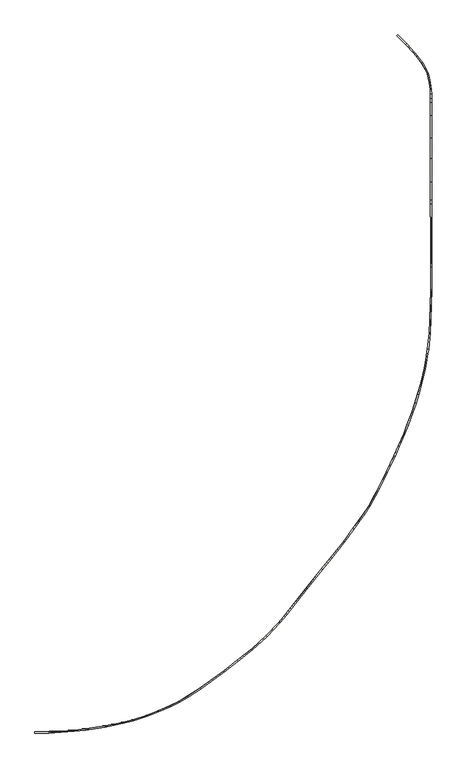
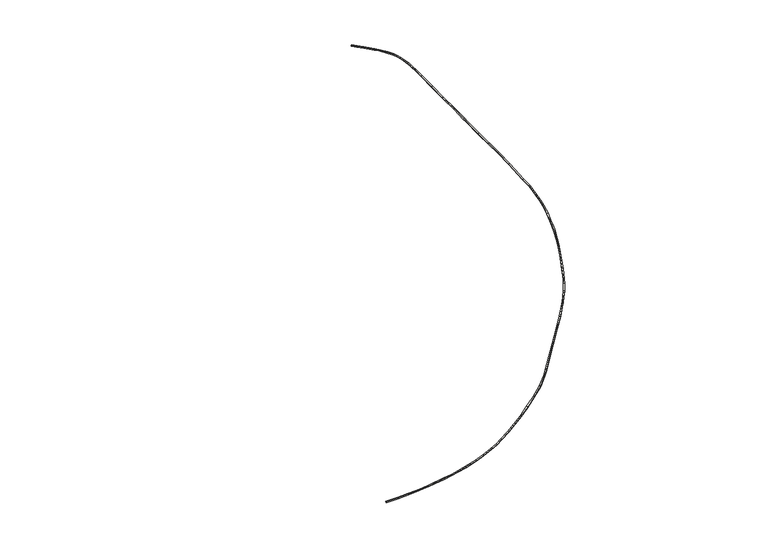
"""IFC4 building model written with IfcOpenShell, lengths in millimetres: wall geometry."""

from ifc_helpers import new_model, si_unit, origin, place, context, project, spatial, faceted_brep, source, transform, mapped, element, save


def wall_375108bb(model_context):
    return source(origin(), model_context, "Body", "Brep", [
        faceted_brep([(72508.282997, -46000.656261, -2738.1022654), (72507.3030657, -45750.7737981, -2730.5), (72507.2792157, -45744.6920325, -2930.4075075), (72508.2591469, -45994.5744954, -2938.0097729), (75400.4968625, -45989.3142459, -2738.1022654), (75393.2099054, -45739.4565163, -2730.5), (75393.0325518, -45733.3753527, -2930.4075075), (75400.3195088, -45983.2330822, -2938.0097729), (78063.6834764, -45844.3184573, -2738.1022654), (78048.1746753, -45594.9083617, -2730.5), (78047.7972142, -45588.8380929, -2930.4075075), (78063.3060153, -45838.2481884, -2938.0097729), (80856.8904063, -45648.9984016, -2738.1022654), (80833.8545823, -45400.1146467, -2730.5), (80834.1138348, -45393.9998545, -2930.4075075), (80857.1496588, -45642.8836094, -2938.0097729), (83287.4024821, -45369.4206509, -2718.0128693), (83253.5510772, -45121.7809943, -2710.5), (83253.0738996, -45115.7509124, -2910.4135945), (83286.9253044, -45363.390569, -2917.9264637), (87435.6579112, -44712.4015365, -2738.0655423), (87390.9101454, -44466.4876939, -2730.5), (87389.3582191, -44460.6278354, -2930.4083991), (87434.1059849, -44706.541678, -2937.9739414), (89296.7094245, -44329.2223525, -2738.0655423), (89246.2442759, -44084.4856843, -2730.5), (89246.9339551, -44078.1642929, -2930.4083991), (89297.3991037, -44322.9009612, -2937.9739414), (91309.5248597, -43914.7959004, -2697.9638728), (91253.9566331, -43671.1099249, -2690.5), (91255.8685418, -43664.5368839, -2890.3840484), (91311.4367684, -43908.2228595, -2897.8479212), (93444.1206204, -43382.5814026, -2667.7740061), (93375.1277382, -43142.2425696, -2660.5), (93375.4583529, -43136.0637895, -2860.4064129), (93444.4512351, -43376.4026224, -2867.680419), (96392.3416845, -42424.64631, -2647.6753279), (96308.8739595, -42189.0106385, -2640.5), (96307.5626142, -42183.3653636, -2840.4176065), (96391.0303392, -42419.001035, -2847.5929344), (98819.623963, -41492.8999404, -2647.6753279), (98723.9597365, -41261.9460672, -2640.5), (98721.7622802, -41256.6409384, -2840.4176065), (98817.4265067, -41487.5948116, -2847.5929344), (101286.2371159, -40394.6930092, -2647.6753279), (101179.9653128, -40168.4619334, -2640.5), (101178.7786309, -40162.7067788, -2840.4176065), (101285.0504341, -40388.9378546, -2847.5929344), (103260.052886, -39419.1288929, -2617.4652808), (103140.0573593, -39199.6808069, -2610.5), (103138.5600543, -39194.0791787, -2810.4223607), (103258.555581, -39413.5272647, -2817.3876415), (105052.3279613, -38341.4951451, -2617.4652808), (104920.7031438, -38129.0393542, -2610.5), (104917.7682323, -38124.3021097, -2810.4223607), (105049.3930497, -38336.7579006, -2817.3876415), (107668.793707, -36671.8819063, -2617.4652808), (107528.7508295, -36464.7978289, -2610.5), (107525.8960363, -36460.0094594, -2810.4223607), (107665.9389138, -36667.0935368, -2817.3876415), (112803.3212643, -32997.2523297, -2597.4275342), (112653.6060875, -32797.090431, -2590.5), (112650.3098375, -32792.6179991, -2790.4240835), (112800.0250143, -32992.7798979, -2797.3516177), (115642.2802489, -30779.2144808, -2607.4481891), (115486.713291, -30583.6244945, -2600.5), (115483.0367889, -30579.4491482, -2800.4227413), (115638.6037467, -30775.0391345, -2807.3709305), (118750.8825891, -28261.9179402, -2607.4481891), (118589.6050873, -28070.9522612, -2600.5), (118586.3982219, -28066.3966105, -2800.4227413), (118747.6757237, -28257.3622895, -2807.3709305), (121833.4157028, -25548.4222107, -2587.3628082), (121659.0346634, -25368.9913285, -2580.5), (121655.5381308, -25364.6906664, -2780.4246288), (121829.9191701, -25544.1215486, -2787.287437), (124561.4034396, -22623.0135204, -2587.3628082), (124374.160242, -22457.3756143, -2580.5), (124370.3583834, -22453.4023742, -2780.4246288), (124557.601581, -22619.0402803, -2787.287437), (125975.5337533, -20937.7186386, -2577.317395), (125781.8975611, -20779.6996068, -2570.5), (125777.9557182, -20775.8931935, -2770.4256232), (125971.5919104, -20933.9122253, -2777.2430181), (130240.6243995, -15564.274676, -2577.317395), (130044.8597349, -15408.9372348, -2570.5), (130041.2709199, -15404.6860536, -2770.4256232), (130237.0355845, -15560.0234948, -2777.2430181), (133634.6433239, -11288.2646187, -2517.317395), (133438.8786593, -11132.9271776, -2510.5), (133435.2898443, -11128.6759963, -2710.4256232), (133631.0545089, -11284.0134375, -2717.2430181), (135487.5558799, -8953.8425365, -2517.317395), (135292.4590057, -8797.6637687, -2510.5), (135289.602445, -8792.490045, -2710.4256232), (135484.6993192, -8948.6688128, -2717.2430181), (138280.960135, -5498.2238665, -2417.1965529), (138082.4917283, -5346.2158989, -2410.5), (138080.3268256, -5340.1865501, -2610.4008329), (138278.7952324, -5492.1945177, -2617.0973858), (140296.7693099, -2723.7005631, -2375.5190366), (140094.6369144, -2576.7356432, -2368.8982378), (140088.8140162, -2575.7410935, -2568.874701), (140290.9464117, -2722.7060133, -2575.4954997), (141396.075988, -1210.6347264, -2447.2478634), (141191.9962153, -1066.3501413, -2440.5), (141185.4172882, -1066.396176, -2640.4271329), (141389.4970609, -1210.680761, -2647.1749963), (142491.5428801, 385.5496401, -2447.2478634), (142284.1971265, 525.0754253, -2440.5), (142279.718244, 528.0893264, -2640.4271329), (142487.0639976, 388.5635412, -2647.1749963), (143647.9653269, 2138.5339684, -2447.2478634), (143435.2229483, 2269.8791799, -2440.5), (143431.7353356, 2274.3957156, -2640.4271329), (143644.4777142, 2143.0505041, -2647.1749963), (144897.9626443, 4303.5928315, -2397.0097344), (144679.2952703, 4424.6756498, -2390.5), (144675.6819314, 4428.9744215, -2590.4321859), (144894.3493055, 4307.8916032, -2596.9419203), (145736.3855156, 5881.8005893, -2397.0097344), (145513.8844646, 5995.6670745, -2390.5), (145509.2479398, 5998.0398489, -2590.4321859), (145731.7489908, 5884.1733636, -2596.9419203), (147425.2958356, 9310.5899666, -2397.0097344), (147199.81688, 9418.4107741, -2390.5), (147195.6930355, 9421.8243811, -2590.4321859), (147421.1719911, 9314.0035736, -2596.9419203), (149046.4514251, 12801.6498868, -2346.9664958), (148819.571751, 12906.4543322, -2340.5), (148815.418815, 12909.8052924, -2540.4330839), (149042.2984891, 12805.0008471, -2546.8995797), (149981.3857038, 14834.4886395, -2346.9664958), (149752.6677529, 14935.2960978, -2340.5), (149747.9333572, 14937.3827832, -2540.4330839), (149976.651308, 14836.5753249, -2546.8995797), (151098.1936134, 17481.8818756, -2346.9664958), (150866.3214572, 17575.2122899, -2340.5), (150862.106306, 17578.5298446, -2540.4330839), (151093.9784622, 17485.1994303, -2546.8995797), (151814.9576953, 19349.1161473, -2316.903904), (151581.593202, 19438.5588904, -2310.5), (151578.2453475, 19444.1358302, -2510.3967077), (151811.6098408, 19354.6930872, -2516.8006117), (152818.36959, 21963.0935016, -2246.7411426), (152582.6774119, 22046.4724186, -2240.5), (152578.743785, 22050.5233692, -2440.4376673), (152814.4359631, 21967.1444522, -2446.6788099), (153498.1815623, 24055.3396171, -2246.7411426), (153259.5605727, 24129.7045791, -2240.5), (153254.7934306, 24131.1902336, -2440.4376673), (153493.4144202, 24056.8252716, -2446.6788099), (154029.0800268, 25834.0784803, -2246.7411426), (153789.1936013, 25904.2036864, -2240.5), (153784.9749765, 25907.5271104, -2440.4376673), (154024.8614019, 25837.4019043, -2446.6788099), (154718.1726102, 28237.2299091, -2196.5963829), (154476.2968885, 28300.4176145, -2190.5), (154472.0389829, 28303.6040502, -2390.4405257), (154713.9147047, 28240.4163448, -2396.5369087), (155454.8492082, 31351.2047726, -2196.5963829), (155209.976086, 31401.7222917, -2190.5), (155205.1410293, 31402.469076, -2390.4405257), (155450.0141515, 31351.9515569, -2396.5369087), (155774.5528957, 33164.3344829, -2201.113453), (155528.4716064, 33208.000146, -2195.0), (155522.1173606, 33200.1311807, -2394.9190612), (155768.1986499, 33156.4655177, -2401.0325143), (155926.5313987, 34026.2474039, -2276.6140988), (155680.4488094, 34069.9056946, -2270.5), (155674.1370735, 34062.2778151, -2470.4401795), (155920.2196628, 34018.6195244, -2476.5542784), (156184.172053, 35487.4001626, -2276.6140988), (155936.6134865, 35522.6877708, -2270.5), (155931.7685253, 35523.3783835, -2470.4401795), (156179.3270917, 35488.0907753, -2476.5542784), (156563.6792202, 38966.7589761, -2276.6140988), (156314.2279696, 38984.6942707, -2270.5), (156309.3459666, 38985.0452818, -2470.4401795), (156558.7972172, 38967.1099872, -2476.5542784), (156661.3987315, 41765.0796518, -2276.6140988), (156411.624738, 41773.7727998, -2270.5), (156406.7696885, 41774.895657, -2470.4401795), (156656.543682, 41766.202509, -2476.5542784), (156881.2663935, 48061.2657104, -2216.5722829), (156631.3392739, 48065.5739021, -2210.5), (156626.5103663, 48067.4453634, -2410.4330407), (156876.4374858, 48063.1371717, -2416.5053236), (156881.2663935, 52861.2464551, -2176.5314967), (156631.3392739, 52860.6653085, -2170.5), (156626.5103663, 52861.863747, -2370.4386549), (156876.4374858, 52862.4448936, -2376.4701517), (156846.4090542, 60858.5439922, -2146.5295522), (156596.4841939, 60857.4445058, -2140.5), (156591.6591339, 60857.760184, -2340.4419666), (156841.5839942, 60858.8596704, -2346.4715188), (156822.9077204, 66250.4403092, -2148.5969645), (156572.984089, 66249.0588623, -2142.5673042), (156568.1182762, 66258.7244425, -2342.5128559), (156818.0419075, 66260.1058894, -2348.5425162), (156819.2412973, 67091.6254535, -2066.5736083), (156569.3157015, 67090.6947125, -2060.5), (156564.436582, 67103.4132332, -2260.1478616), (156814.3621778, 67104.3439743, -2266.2214699), (156819.2412973, 71070.7336947, -1946.5998366), (156569.3157015, 71070.6728537, -1940.5), (156564.436582, 71072.6674041, -2140.4711992), (156814.3621778, 71072.728245, -2146.5710358), (156819.2412973, 75975.3512726, -1996.5996005), (156569.3157015, 75975.3135919, -1990.5), (156564.436582, 75976.5488793, -2190.4634589), (156814.3621778, 75976.58656, -2196.5630594), (156819.2412973, 80409.3945707, -1896.5991992), (156569.3157015, 80409.3390983, -1890.5), (156564.436582, 80411.1576534, -2090.4503046), (156814.3621778, 80411.2131259, -2096.5495038), (156819.2412973, 84996.989491, -1916.5988415), (156569.3157015, 84997.0160789, -1910.5), (156569.3500254, 87750.7962288, -1921.0985521), (156564.4708229, 87743.3158551, -2121.0117196), (156564.4365814, 84996.1444456, -2110.4386028), (156814.3621784, 84996.1178578, -2116.5374182), (156814.3964161, 87743.0876769, -2127.109786), (156819.2756187, 87750.5680506, -1927.1966185), (156819.2412973, 88712.5502383, -1995.5660016), (156569.3157015, 88712.8434991, -1989.4725607), (156564.436582, 88703.2295184, -2189.2340901), (156814.3621778, 88702.9362577, -2195.327531), (156819.2412973, 89591.227215, -2017.7374743), (156569.3157015, 89584.6930595, -2011.4717586), (156564.436582, 89584.2257378, -2211.4640837), (156814.3621778, 89590.7598933, -2217.7297993), (156767.9484003, 90569.9539947, -1996.3351144), (156519.0547835, 90543.7285059, -1990.5), (156514.0634787, 90545.401808, -2190.4455149), (156762.9570954, 90571.6272969, -2196.2806293), (156530.1789026, 92071.1715205, -1996.3351144), (156283.6652881, 92029.919289, -1990.5), (156279.0610414, 92029.1488024, -2190.4455149), (156525.5746559, 92070.4010338, -2196.2806293), (156353.049597, 93075.7217314, -1996.3351144), (156109.1981269, 93019.3717285, -1990.5), (156104.3326691, 93020.0826435, -2190.4455149), (156348.1841391, 93076.4326464, -2196.2806293), (156077.3702233, 94037.129961, -1978.4789495), (155841.9907669, 93951.2345353, -1973.1925801), (155835.3646448, 93958.0856164, -2173.0240541), (156070.7441012, 94043.9810421, -2178.3104235), (155695.075402, 94895.7781882, -1913.5280777), (155472.9880413, 94780.0282267, -1910.5), (155467.2674933, 94784.845355, -2110.4853287), (155689.3548539, 94900.5953166, -2113.5134064), (154891.6608246, 96232.8845852, -1913.5280777), (154683.025676, 96094.7463831, -1910.5), (154679.6441987, 96095.6706441, -2110.4853287), (154888.2793473, 96233.8088461, -2113.5134064), (153763.1162451, 97786.1929408, -1862.9321135), (153567.7740985, 97629.7584911, -1860.5), (153564.50876, 97630.5229008, -2060.4905355), (153759.8509066, 97786.9573505, -2062.922649), (153113.0991792, 98524.4928892, -1862.9321135), (152926.3896604, 98358.2533606, -1860.5), (152924.9364757, 98356.9594965, -2060.4905355), (153111.6459945, 98523.1990251, -2062.922649), (151507.1859754, 100308.0401912, -1862.9321135), (151325.788804, 100135.900703, -1860.5), (151324.3769659, 100134.5609187, -2060.4905355), (151505.7741373, 100306.7004069, -2062.922649), (150474.8103344, 101340.4158322, -1862.9321135), (149614.3272121, 102184.4095681, -1862.8186767), (149439.2773218, 102005.939343, -1860.386677), (150298.8971083, 101162.7923987, -1860.5), (150297.5279525, 101161.4099322, -2060.4905355), (149437.9148855, 102004.5502858, -2060.3772134), (149612.9647758, 102183.0205109, -2062.8092131), (150473.4411786, 101339.0333656, -2062.922649)], [[[0, 1, 2, 3]], [[1, 0, 4, 5]], [[2, 1, 5, 6]], [[3, 2, 6, 7]], [[0, 3, 7, 4]], [[5, 4, 8, 9]], [[6, 5, 9, 10]], [[7, 6, 10, 11]], [[4, 7, 11, 8]], [[9, 8, 12, 13]], [[10, 9, 13, 14]], [[11, 10, 14, 15]], [[8, 11, 15, 12]], [[13, 12, 16, 17]], [[14, 13, 17, 18]], [[15, 14, 18, 19]], [[12, 15, 19, 16]], [[17, 16, 20, 21]], [[18, 17, 21, 22]], [[19, 18, 22, 23]], [[16, 19, 23, 20]], [[21, 20, 24, 25]], [[22, 21, 25, 26]], [[23, 22, 26, 27]], [[20, 23, 27, 24]], [[25, 24, 28, 29]], [[26, 25, 29, 30]], [[27, 26, 30, 31]], [[24, 27, 31, 28]], [[29, 28, 32, 33]], [[30, 29, 33, 34]], [[31, 30, 34, 35]], [[28, 31, 35, 32]], [[33, 32, 36, 37]], [[34, 33, 37, 38]], [[35, 34, 38, 39]], [[32, 35, 39, 36]], [[37, 36, 40, 41]], [[38, 37, 41, 42]], [[39, 38, 42, 43]], [[36, 39, 43, 40]], [[41, 40, 44, 45]], [[42, 41, 45, 46]], [[43, 42, 46, 47]], [[40, 43, 47, 44]], [[45, 44, 48, 49]], [[46, 45, 49, 50]], [[47, 46, 50, 51]], [[44, 47, 51, 48]], [[49, 48, 52, 53]], [[50, 49, 53, 54]], [[51, 50, 54, 55]], [[48, 51, 55, 52]], [[53, 52, 56, 57]], [[54, 53, 57, 58]], [[55, 54, 58, 59]], [[52, 55, 59, 56]], [[57, 56, 60, 61]], [[58, 57, 61, 62]], [[59, 58, 62, 63]], [[56, 59, 63, 60]], [[61, 60, 64, 65]], [[62, 61, 65, 66]], [[63, 62, 66, 67]], [[60, 63, 67, 64]], [[65, 64, 68, 69]], [[66, 65, 69, 70]], [[67, 66, 70, 71]], [[64, 67, 71, 68]], [[69, 68, 72, 73]], [[70, 69, 73, 74]], [[71, 70, 74, 75]], [[68, 71, 75, 72]], [[73, 72, 76, 77]], [[74, 73, 77, 78]], [[75, 74, 78, 79]], [[72, 75, 79, 76]], [[77, 76, 80, 81]], [[78, 77, 81, 82]], [[79, 78, 82, 83]], [[76, 79, 83, 80]], [[81, 80, 84, 85]], [[82, 81, 85, 86]], [[83, 82, 86, 87]], [[80, 83, 87, 84]], [[85, 84, 88, 89]], [[86, 85, 89, 90]], [[87, 86, 90, 91]], [[84, 87, 91, 88]], [[89, 88, 92, 93]], [[90, 89, 93, 94]], [[91, 90, 94, 95]], [[88, 91, 95, 92]], [[93, 92, 96, 97]], [[94, 93, 97, 98]], [[95, 94, 98, 99]], [[92, 95, 99, 96]], [[97, 96, 100, 101]], [[98, 97, 101, 102]], [[99, 98, 102, 103]], [[96, 99, 103, 100]], [[101, 100, 104, 105]], [[102, 101, 105, 106]], [[103, 102, 106, 107]], [[100, 103, 107, 104]], [[105, 104, 108, 109]], [[106, 105, 109, 110]], [[107, 106, 110, 111]], [[104, 107, 111, 108]], [[109, 108, 112, 113]], [[110, 109, 113, 114]], [[111, 110, 114, 115]], [[108, 111, 115, 112]], [[113, 112, 116, 117]], [[114, 113, 117, 118]], [[115, 114, 118, 119]], [[112, 115, 119, 116]], [[117, 116, 120, 121]], [[118, 117, 121, 122]], [[119, 118, 122, 123]], [[116, 119, 123, 120]], [[121, 120, 124, 125]], [[122, 121, 125, 126]], [[123, 122, 126, 127]], [[120, 123, 127, 124]], [[125, 124, 128, 129]], [[126, 125, 129, 130]], [[127, 126, 130, 131]], [[124, 127, 131, 128]], [[129, 128, 132, 133]], [[130, 129, 133, 134]], [[131, 130, 134, 135]], [[128, 131, 135, 132]], [[133, 132, 136, 137]], [[134, 133, 137, 138]], [[135, 134, 138, 139]], [[132, 135, 139, 136]], [[137, 136, 140, 141]], [[138, 137, 141, 142]], [[139, 138, 142, 143]], [[136, 139, 143, 140]], [[141, 140, 144, 145]], [[142, 141, 145, 146]], [[143, 142, 146, 147]], [[140, 143, 147, 144]], [[145, 144, 148, 149]], [[146, 145, 149, 150]], [[147, 146, 150, 151]], [[144, 147, 151, 148]], [[149, 148, 152, 153]], [[150, 149, 153, 154]], [[151, 150, 154, 155]], [[148, 151, 155, 152]], [[153, 152, 156, 157]], [[154, 153, 157, 158]], [[155, 154, 158, 159]], [[152, 155, 159, 156]], [[157, 156, 160, 161]], [[158, 157, 161, 162]], [[159, 158, 162, 163]], [[156, 159, 163, 160]], [[161, 160, 164, 165]], [[162, 161, 165, 166]], [[163, 162, 166, 167]], [[160, 163, 167, 164]], [[165, 164, 168, 169]], [[166, 165, 169, 170]], [[167, 166, 170, 171]], [[164, 167, 171, 168]], [[169, 168, 172, 173]], [[170, 169, 173, 174]], [[171, 170, 174, 175]], [[168, 171, 175, 172]], [[173, 172, 176, 177]], [[174, 173, 177, 178]], [[175, 174, 178, 179]], [[172, 175, 179, 176]], [[177, 176, 180, 181]], [[178, 177, 181, 182]], [[179, 178, 182, 183]], [[176, 179, 183, 180]], [[181, 180, 184, 185]], [[182, 181, 185, 186]], [[183, 182, 186, 187]], [[180, 183, 187, 184]], [[185, 184, 188, 189]], [[186, 185, 189, 190]], [[187, 186, 190, 191]], [[184, 187, 191, 188]], [[189, 188, 192, 193]], [[190, 189, 193, 194]], [[191, 190, 194, 195]], [[188, 191, 195, 192]], [[193, 192, 196, 197]], [[194, 193, 197, 198]], [[195, 194, 198, 199]], [[192, 195, 199, 196]], [[197, 196, 200, 201]], [[198, 197, 201, 202]], [[199, 198, 202, 203]], [[196, 199, 203, 200]], [[201, 200, 204, 205]], [[202, 201, 205, 206]], [[203, 202, 206, 207]], [[200, 203, 207, 204]], [[205, 204, 208, 209]], [[206, 205, 209, 210]], [[207, 206, 210, 211]], [[204, 207, 211, 208]], [[209, 208, 212, 213]], [[210, 209, 213, 214]], [[211, 210, 214, 215]], [[208, 211, 215, 212]], [[213, 212, 216, 217]], [[214, 213, 217, 218, 219, 220]], [[215, 214, 220, 221]], [[212, 215, 221, 222, 223, 216]], [[217, 216, 223, 218]], [[221, 220, 219, 222]], [[218, 223, 224, 225]], [[219, 218, 225, 226]], [[222, 219, 226, 227]], [[223, 222, 227, 224]], [[225, 224, 228, 229]], [[226, 225, 229, 230]], [[227, 226, 230, 231]], [[224, 227, 231, 228]], [[229, 228, 232, 233]], [[230, 229, 233, 234]], [[231, 230, 234, 235]], [[228, 231, 235, 232]], [[233, 232, 236, 237]], [[234, 233, 237, 238]], [[235, 234, 238, 239]], [[232, 235, 239, 236]], [[237, 236, 240, 241]], [[238, 237, 241, 242]], [[239, 238, 242, 243]], [[236, 239, 243, 240]], [[241, 240, 244, 245]], [[242, 241, 245, 246]], [[243, 242, 246, 247]], [[240, 243, 247, 244]], [[245, 244, 248, 249]], [[246, 245, 249, 250]], [[247, 246, 250, 251]], [[244, 247, 251, 248]], [[249, 248, 252, 253]], [[250, 249, 253, 254]], [[251, 250, 254, 255]], [[252, 248, 251, 255]], [[253, 252, 256, 257]], [[254, 253, 257, 258]], [[255, 254, 258, 259]], [[252, 255, 259, 256]], [[257, 256, 260, 261]], [[258, 257, 261, 262]], [[259, 258, 262, 263]], [[256, 259, 263, 260]], [[261, 260, 264, 265]], [[262, 261, 265, 266]], [[263, 262, 266, 267]], [[260, 263, 267, 264]], [[265, 264, 268, 269, 270, 271]], [[266, 265, 271, 272]], [[267, 266, 272, 273, 274, 275]], [[264, 267, 275, 268]], [[269, 274, 273, 270]], [[272, 271, 270, 273]], [[268, 275, 274, 269]]]),
    ])


if __name__ == "__main__":
    model = new_model("IFC4")
    model_context = context("Model", 3, world=origin())
    ifc_project = project(units=[si_unit("LENGTHUNIT", "METRE", prefix="MILLI")], contexts=[model_context])
    site = spatial("IfcSite", under=ifc_project)
    building = spatial("IfcBuilding", under=site)
    placement = place(None, origin())
    wall_shape = wall_375108bb(model_context)
    element("IfcWall", 1, at=placement, inside=building, context=model_context, shape_type="MappedRepresentation", body=[
        mapped(wall_shape, transform((0.0, 0.0, 0.0), x_axis=(1.0, 0.0, 0.0), y_axis=(0.0, 1.0, 0.0), z_axis=(0.0, 0.0, 1.0))),
    ])
    save(model, "model.ifc")
